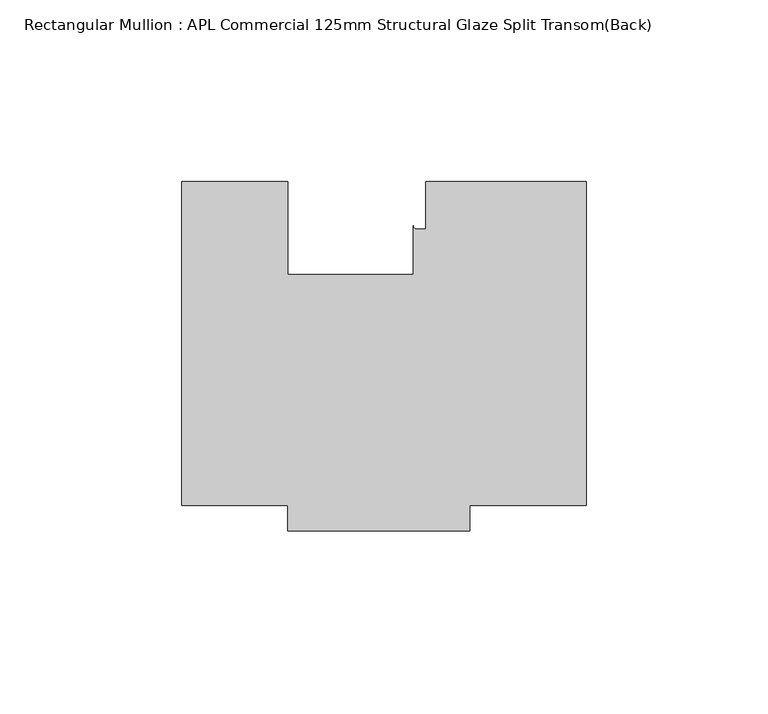
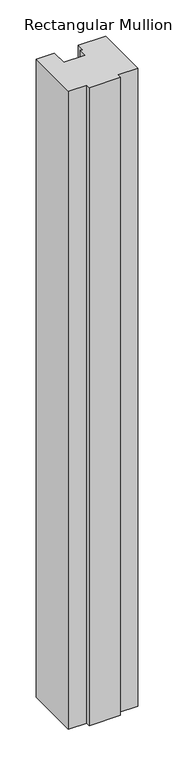
"""IFC4 building model written with IfcOpenShell, lengths in millimetres: member geometry, Rectangular Mullion : APL Commercial 125mm Structural Glaze Split Transom(Back)."""

from ifc_helpers import new_model, si_unit, point, frame, frame_2d, origin, place, context, project, spatial, polyline, circle_curve, trimmed, segment, composite_curve, outline, extrude, source, transform, mapped, element, save


def rectangular_mullion_apl_commercial_125mm_structural_glaze_0142277a(model_context):
    return source(origin(), model_context, "Body", "SweptSolid", [
        extrude(outline(composite_curve([segment(polyline([(54.0000029, -15.0004617), (54.0000029, -104.0), (22.0028846, -104.0), (22.0028846, -111.0), (-27.9971154, -111.0), (-27.9971154, -103.9999439), (-57.0000004, -103.9999439), (-57.0000004, -15.0001793), (-28.0000482, -15.0001793), (-28.0000482, -40.499932), (6.5000029, -40.499932), (6.5000029, -27.0002131)]), True, "CONTINUOUS"), segment(trimmed(circle_curve(frame_2d((7.5000029, -27.0002131)), 1.0), [point((6.5000029, -27.0002131))], [point((7.5000029, -28.0002131))], True, "CARTESIAN"), True, "CONTINUOUS"), segment(polyline([(7.5000029, -28.0002131), (10.0000029, -28.0002131), (10.0000029, -15.0004617), (54.0000029, -15.0004617)]), True, "CONTINUOUS")], self_intersect=False)), frame((0.0, 0.0, -1076.7654614), z_axis=(0.0, 0.0, 1.0), x_axis=(1.0, 0.0, 0.0)), (0.0, 0.0, 1.0), 1076.7654614),
    ])


if __name__ == "__main__":
    model = new_model("IFC4")
    model_context = context("Model", 3, world=origin())
    ifc_project = project(units=[si_unit("LENGTHUNIT", "METRE", prefix="MILLI")], contexts=[model_context])
    site = spatial("IfcSite", under=ifc_project)
    building = spatial("IfcBuilding", under=site)
    placement = place(None, origin())
    rectangular_mullion_apl_commercial_125mm_structural_glaze_shape = rectangular_mullion_apl_commercial_125mm_structural_glaze_0142277a(model_context)
    element("IfcMember", 1, ObjectType="Rectangular Mullion : APL Commercial 125mm Structural Glaze Split Transom(Back)", at=placement, inside=building, context=model_context, shape_type="MappedRepresentation", body=[
        mapped(rectangular_mullion_apl_commercial_125mm_structural_glaze_shape, transform((0.0, 0.0, 0.0), x_axis=(1.0, 0.0, 0.0), y_axis=(0.0, 1.0, 0.0), z_axis=(0.0, 0.0, 1.0))),
    ])
    save(model, "model.ifc")
